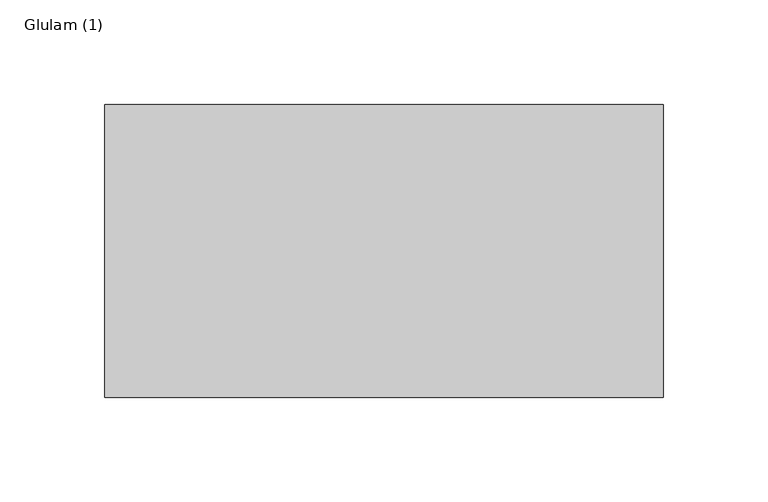
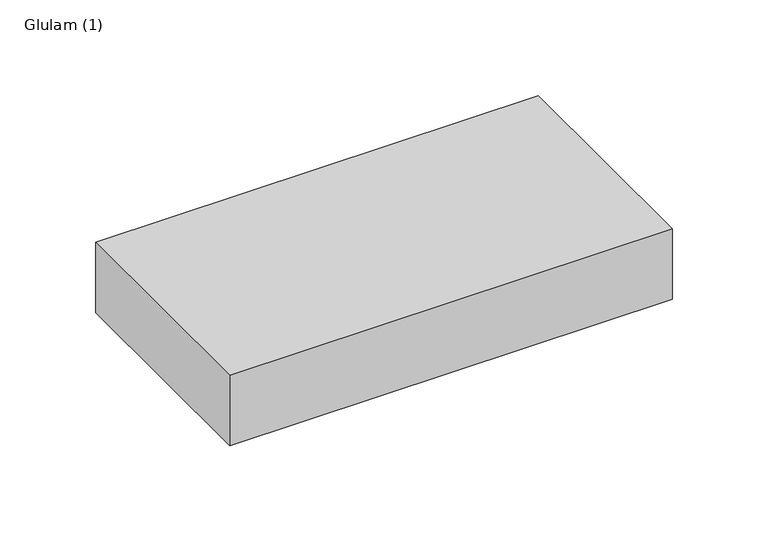
"""IFC4 building model written with IfcOpenShell, lengths in millimetres: beam geometry, Glulam (1)."""

from ifc_helpers import new_model, si_unit, frame, origin, place, context, project, spatial, polyline, outline, extrude, source, transform, mapped, element, save


def glulam_1_441ec204(model_context):
    return source(origin(), model_context, "Body", "SweptSolid", [
        extrude(outline(polyline([(133.5, 70.0), (133.5, -70.0), (-133.5, -70.0), (-133.5, 70.0), (133.5, 70.0)])), frame((0.0, 0.0, -22.5), z_axis=(0.0, 0.0, 1.0), x_axis=(1.0, 0.0, 0.0)), (0.0, 0.0, 1.0), 45.0),
    ])


if __name__ == "__main__":
    model = new_model("IFC4")
    model_context = context("Model", 3, world=origin())
    ifc_project = project(units=[si_unit("LENGTHUNIT", "METRE", prefix="MILLI")], contexts=[model_context])
    site = spatial("IfcSite", under=ifc_project)
    building = spatial("IfcBuilding", under=site)
    placement = place(None, origin())
    glulam_1_shape = glulam_1_441ec204(model_context)
    element("IfcBeam", 1, ObjectType="Glulam (1)", at=placement, inside=building, context=model_context, shape_type="MappedRepresentation", body=[
        mapped(glulam_1_shape, transform((0.0, 0.0, 0.0), x_axis=(1.0, 0.0, 0.0), y_axis=(0.0, 1.0, 0.0), z_axis=(0.0, 0.0, 1.0))),
    ])
    save(model, "model.ifc")
